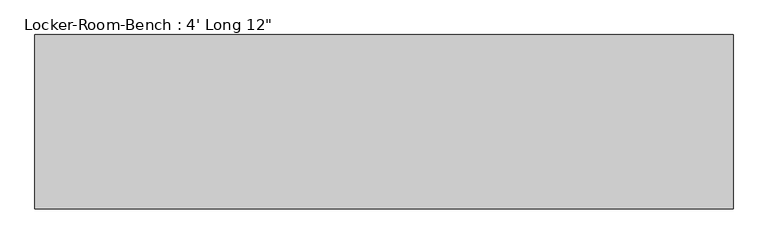
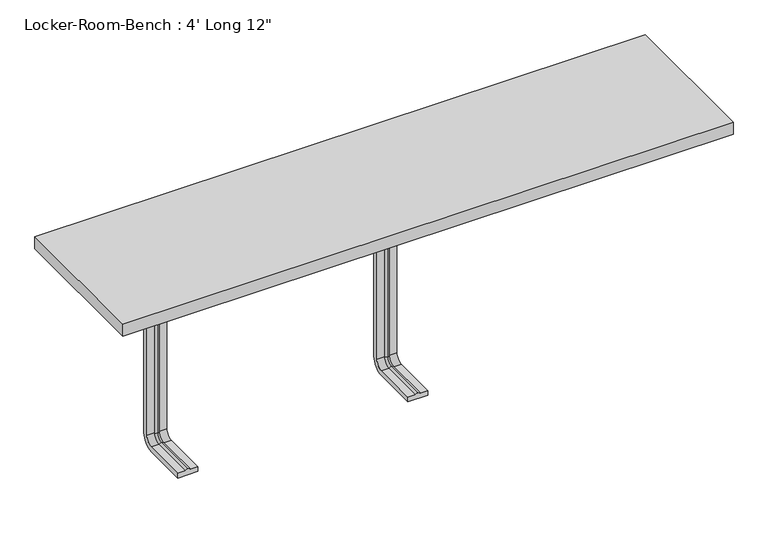
"""IFC4 building model written with IfcOpenShell, lengths in millimetres: proxy geometry."""

import ifcopenshell
import ifcopenshell.guid

model = None  # the IFC model being written
_history = None  # IfcOwnerHistory: only IFC2X3 demands one
_inside = {}  # id of a spatial element -> (the spatial element, [elements in it])
_under = {}  # id of a project, library or spatial element -> (it, [spatial elements below it])
_declared = {}  # id of a project -> (the project, [libraries it declares])
_typed = {}  # id of a type object -> (the type object, [elements of that type])
_made_of = {}  # id of a material, layer set ... -> (it, [elements and type objects made of it])


def new_model(schema):
    """Start an empty IFC model of exactly this schema.

    Asked for "IFC4X3", IfcOpenShell would pick the latest addendum, in which some entities
    have other attributes; the version numbers below select the first issue.
    IFC2X3 requires an IfcOwnerHistory on every rooted entity: one is made here for all.
    """
    global model, _history
    if schema == "IFC4X3":
        model = ifcopenshell.file(schema_version=(4, 3, 0, 0))
    else:
        model = ifcopenshell.file(schema=schema)
    _inside.clear()
    _under.clear()
    _declared.clear()
    _typed.clear()
    _made_of.clear()
    _history = None
    if model.schema == "IFC2X3":
        org = make("IfcOrganization", Name="unknown")
        user = make(
            "IfcPersonAndOrganization",
            ThePerson=make("IfcPerson", FamilyName="unknown"),
            TheOrganization=org,
        )
        app = make(
            "IfcApplication",
            ApplicationDeveloper=org,
            Version="unknown",
            ApplicationFullName="unknown",
            ApplicationIdentifier="unknown",
        )
        _history = make(
            "IfcOwnerHistory",
            OwningUser=user,
            OwningApplication=app,
            ChangeAction="ADDED",
            CreationDate=0,
        )
    return model


def make(cls, **values):
    """One entity of the class cls with the attributes given. An attribute that is None is left unset."""
    return model.create_entity(
        cls, **{name: value for name, value in values.items() if value is not None}
    )


def rooted(cls, **values):
    """An entity with a GlobalId (a new one), such as an element, a storey or a relation."""
    return make(cls, GlobalId=ifcopenshell.guid.new(), OwnerHistory=_history, **values)


def si_unit(unit_type, name, prefix=None):
    """IfcSIUnit, for example si_unit("LENGTHUNIT", "METRE", prefix="MILLI")."""
    return make("IfcSIUnit", UnitType=unit_type, Prefix=prefix, Name=name)


def assignment(units):
    """IfcUnitAssignment: the units of a project."""
    return None if units is None else make("IfcUnitAssignment", Units=units)


def point(xyz):
    """IfcCartesianPoint."""
    return None if xyz is None else make("IfcCartesianPoint", Coordinates=xyz)


def direction(xyz):
    """IfcDirection."""
    return None if xyz is None else make("IfcDirection", DirectionRatios=xyz)


def frame(location, z_axis=None, x_axis=None):
    """IfcAxis2Placement3D, a coordinate frame: its origin and axes. An axis left out is left unset."""
    return make(
        "IfcAxis2Placement3D",
        Location=point(location),
        Axis=direction(z_axis),
        RefDirection=direction(x_axis),
    )


def origin():
    """The frame at (0, 0, 0) with its axes left unset."""
    return frame((0.0, 0.0, 0.0))


def place(relative_to, where):
    """IfcLocalPlacement: puts the frame where relative to a parent placement (None: the world)."""
    return make(
        "IfcLocalPlacement", PlacementRelTo=relative_to, RelativePlacement=where
    )


def context(
    kind, dimensions, precision=None, world=None, true_north=None, identifier=None
):
    """IfcGeometricRepresentationContext, for example the 3D "Model" context."""
    return make(
        "IfcGeometricRepresentationContext",
        ContextIdentifier=identifier,
        ContextType=kind,
        CoordinateSpaceDimension=dimensions,
        Precision=precision,
        WorldCoordinateSystem=world,
        TrueNorth=true_north,
    )


def project(units=None, contexts=None):
    """IfcProject with its units and contexts."""
    return rooted(
        "IfcProject",
        Name="project",
        RepresentationContexts=contexts,
        UnitsInContext=assignment(units),
    )


def spatial(cls, under=None, at=None, **own):
    """A site, building, storey or space (cls), placed at a placement, below another one or the project."""
    s = rooted(cls, ObjectPlacement=at, **own)
    if under is not None:
        _under.setdefault(under.id(), (under, []))[1].append(s)
    return s


def polyline(points):
    """IfcPolyline through the points."""
    return make("IfcPolyline", Points=[point(p) for p in points])


def circle_curve(where, radius):
    """IfcCircle in the frame where."""
    return make("IfcCircle", Position=where, Radius=radius)


def ellipse_curve(where, semi_axis1, semi_axis2):
    """IfcEllipse in the frame where."""
    return make(
        "IfcEllipse", Position=where, SemiAxis1=semi_axis1, SemiAxis2=semi_axis2
    )


def trimmed(basis, trim1, trim2, sense, master):
    """IfcTrimmedCurve: the piece of a basis curve between two trims."""
    return make(
        "IfcTrimmedCurve",
        BasisCurve=basis,
        Trim1=trim1,
        Trim2=trim2,
        SenseAgreement=sense,
        MasterRepresentation=master,
    )


def outline(outer, holes=None, kind="AREA"):
    """IfcArbitraryClosedProfileDef: a profile drawn as a closed curve; with holes, ...WithVoids."""
    if holes is None:
        return make("IfcArbitraryClosedProfileDef", ProfileType=kind, OuterCurve=outer)
    return make(
        "IfcArbitraryProfileDefWithVoids",
        ProfileType=kind,
        OuterCurve=outer,
        InnerCurves=holes,
    )


def extrude(swept, where, along, depth):
    """IfcExtrudedAreaSolid: the profile swept, set in the frame where, extruded along a direction by depth."""
    return make(
        "IfcExtrudedAreaSolid",
        SweptArea=swept,
        Position=where,
        ExtrudedDirection=direction(along),
        Depth=depth,
    )


def shape(context_of_items, identifier, shape_type, items):
    """IfcShapeRepresentation: the items that make up one representation, for example the "Body"."""
    return make(
        "IfcShapeRepresentation",
        ContextOfItems=context_of_items,
        RepresentationIdentifier=identifier,
        RepresentationType=shape_type,
        Items=items,
    )


def source(mapping_origin, context_of_items, identifier, shape_type, items):
    """IfcRepresentationMap: a shape defined once, which mapped items show again and again."""
    return make(
        "IfcRepresentationMap",
        MappingOrigin=mapping_origin,
        MappedRepresentation=shape(context_of_items, identifier, shape_type, items),
    )


def transform(
    local_origin,
    x_axis=None,
    y_axis=None,
    z_axis=None,
    scale=None,
    scale2=None,
    scale3=None,
    uniform=True,
):
    """IfcCartesianTransformationOperator3D, or its non-uniform kind. x_axis, y_axis, z_axis: its Axis1, 2, 3."""
    if uniform:
        return make(
            "IfcCartesianTransformationOperator3D",
            Axis1=direction(x_axis),
            Axis2=direction(y_axis),
            LocalOrigin=point(local_origin),
            Scale=scale,
            Axis3=direction(z_axis),
        )
    return make(
        "IfcCartesianTransformationOperator3DnonUniform",
        Axis1=direction(x_axis),
        Axis2=direction(y_axis),
        LocalOrigin=point(local_origin),
        Scale=scale,
        Axis3=direction(z_axis),
        Scale2=scale2,
        Scale3=scale3,
    )


def mapped(mapping_source, mapping_target):
    """IfcMappedItem: shows the shape of a source again, moved by a transform."""
    return make(
        "IfcMappedItem", MappingSource=mapping_source, MappingTarget=mapping_target
    )


def made_of(thing, what):
    """Note that an element or type object is made of a material, layer set ...; save() writes the relation."""
    if what is not None:
        _made_of.setdefault(what.id(), (what, []))[1].append(thing)
    return thing


def element(
    cls,
    number,
    at=None,
    inside=None,
    cuts=None,
    type_object=None,
    material=None,
    context=None,
    identifier="Body",
    shape_type=None,
    held_by="IfcProductDefinitionShape",
    body=None,
    shapes=None,
    **own,
):
    """One element of the class cls, such as IfcWall. Its Tag is "e" and its number.

    at: its placement. inside: the storey or other place that contains it. cuts: it is an
    opening in that element (IfcRelVoidsElement). A single representation is given by context,
    identifier, shape_type and body (its items); several are given by shapes. held_by: the class
    of the entity that holds the representations. save() writes the other relations.
    """
    e = rooted(cls, Tag="e%d" % number, ObjectPlacement=at, **own)
    if body is not None:
        shapes = [shape(context, identifier, shape_type, body)]
    if shapes is not None:
        e.Representation = make(held_by, Representations=shapes)
    if inside is not None:
        _inside.setdefault(inside.id(), (inside, []))[1].append(e)
    if cuts is not None:
        rooted(
            "IfcRelVoidsElement", RelatingBuildingElement=cuts, RelatedOpeningElement=e
        )
    if type_object is not None:
        _typed.setdefault(type_object.id(), (type_object, []))[1].append(e)
    return made_of(e, material)


def aggregate(whole, parts):
    """IfcRelAggregates: a whole, such as a stair, and the parts it consists of."""
    return rooted("IfcRelAggregates", RelatingObject=whole, RelatedObjects=parts)


def save(model, path):
    """Write the relations noted so far, then the file.

    IfcRelAggregates (storeys below a building ...), IfcRelContainedInSpatialStructure (elements
    in a storey), IfcRelDefinesByType, IfcRelAssociatesMaterial and IfcRelDeclares: one each for
    every whole, place, type object, material and project.
    """
    for whole, parts in _under.values():
        aggregate(whole, parts)
    for where, things in _inside.values():
        rooted(
            "IfcRelContainedInSpatialStructure",
            RelatedElements=things,
            RelatingStructure=where,
        )
    for kind, things in _typed.values():
        rooted("IfcRelDefinesByType", RelatedObjects=things, RelatingType=kind)
    for what, things in _made_of.values():
        rooted("IfcRelAssociatesMaterial", RelatedObjects=things, RelatingMaterial=what)
    for by, libraries in _declared.values():
        rooted("IfcRelDeclares", RelatingContext=by, RelatedDefinitions=libraries)
    model.write(path)


def plane_surface(at):
    """IfcPlane: the flat surface through the origin of the frame at, square to its z axis."""
    return make("IfcPlane", Position=at)


def cylinder_surface(at, radius):
    """IfcCylindricalSurface: all points at the distance radius from the z axis of the frame at."""
    return make("IfcCylindricalSurface", Position=at, Radius=radius)


def revolved_surface(curve, axis_point, axis_direction):
    """IfcSurfaceOfRevolution: the curve turned about the line through axis_point along axis_direction."""
    return make(
        "IfcSurfaceOfRevolution",
        SweptCurve=make("IfcArbitraryOpenProfileDef", ProfileType="CURVE", Curve=curve),
        AxisPosition=make("IfcAxis1Placement", Location=point(axis_point), Axis=direction(axis_direction)),
    )


def advanced_brep(points, edges, surfaces, faces):
    """IfcAdvancedBrep: a solid bounded by faces that lie on surfaces and meet in shared edges.

    An edge is (start, end): straight between two places in points (the first is 0);
    or (start, end, curve); or (start, end, curve, False) where it runs against its curve.
    A face is (place in surfaces, loops), or (place, loops, False) where it looks against
    its surface's normal. A loop lists edges by number (the first is 1), with a minus sign
    where the edge is run from its end to its start. The first loop is the outer one.
    """
    corners = [point(p) for p in points]
    vertices = [make("IfcVertexPoint", VertexGeometry=c) for c in corners]
    made = []
    for start, end, *more in edges:
        made.append(
            make(
                "IfcEdgeCurve",
                EdgeStart=vertices[start],
                EdgeEnd=vertices[end],
                EdgeGeometry=more[0] if more else make("IfcPolyline", Points=[corners[start], corners[end]]),
                SameSense=more[1] if len(more) > 1 else True,
            )
        )
    hull = []
    for where, loops, *sense in faces:
        bounds = []
        for j, loop in enumerate(loops):
            ring = [make("IfcOrientedEdge", EdgeElement=made[abs(k) - 1], Orientation=k > 0) for k in loop]
            bounds.append(
                make(
                    "IfcFaceOuterBound" if j == 0 else "IfcFaceBound",
                    Bound=make("IfcEdgeLoop", EdgeList=ring),
                    Orientation=True,
                )
            )
        hull.append(make("IfcAdvancedFace", Bounds=bounds, FaceSurface=surfaces[where], SameSense=sense[0] if sense else True))
    return make("IfcAdvancedBrep", Outer=make("IfcClosedShell", CfsFaces=hull))


def proxy_bd3dbb1a(model_context):
    return source(origin(), model_context, "Body", "SolidModel", [
        advanced_brep(
        [(-439.6, -117.4, 381.4), (-479.6, -117.4, 381.4), (-479.6, -117.4, 371.4), (-464.6, -117.4, 371.4), (-459.6, -117.4, 369.0684617), (-454.6, -117.4, 371.4), (-439.6, -117.4, 371.4), (-439.6, -25.0, 381.4), (-479.6, -25.0, 381.4), (-479.6, 0.0, 356.4), (-479.6, 0.0, 40.0), (-479.6, -25.0, 15.0), (-479.6, -117.4, 15.0), (-479.6, -117.4, 25.0), (-479.6, -25.0, 25.0), (-479.6, -10.0, 40.0), (-479.6, -10.0, 356.4), (-479.6, -25.0, 371.4), (-464.6, -25.0, 371.4), (-459.6, -25.0, 369.0684617), (-454.6, -25.0, 371.4), (-439.6, -25.0, 371.4), (-439.6, -10.0, 356.4), (-439.6, -10.0, 40.0), (-439.6, -25.0, 25.0), (-439.6, -117.4, 25.0), (-439.6, -117.4, 15.0), (-439.6, -25.0, 15.0), (-439.6, 0.0, 40.0), (-439.6, 0.0, 356.4), (-464.6, -10.0, 356.4), (-459.6, -12.3315383, 356.4), (-454.6, -10.0, 356.4), (-464.6, -10.0, 40.0), (-459.6, -12.3315383, 40.0), (-454.6, -10.0, 40.0), (-464.6, -25.0, 25.0), (-459.6, -25.0, 27.3315383), (-454.6, -25.0, 25.0), (-454.6, -117.4, 25.0), (-459.6, -117.4, 27.3315383), (-464.6, -117.4, 25.0)],
        [
            (0, 1),
            (1, 2),
            (2, 3),
            (3, 4, circle_curve(frame((-459.8996409, -117.4, 374.9529162), z_axis=(0.0, -1.0, 0.0), x_axis=(0.0, 0.0, 1.0)), 5.8920785)),
            (4, 5, circle_curve(frame((-459.3003591, -117.4, 374.9529162), z_axis=(0.0, -1.0, 0.0), x_axis=(0.0, 0.0, 1.0)), 5.8920785)),
            (5, 6),
            (6, 0),
            (0, 7),
            (7, 8),
            (8, 1),
            (8, 9, circle_curve(frame((-479.6, -25.0, 356.4), z_axis=(-1.0, 0.0, 0.0), x_axis=(0.0, 0.0, 1.0)), 25.0)),
            (9, 10),
            (10, 11, circle_curve(frame((-479.6, -25.0, 40.0), z_axis=(-1.0, 0.0, 0.0), x_axis=(0.0, 1.0, 0.0)), 25.0)),
            (11, 12),
            (12, 13),
            (13, 14),
            (14, 15, circle_curve(frame((-479.6, -25.0, 40.0), z_axis=(1.0, 0.0, 0.0), x_axis=(0.0, 1.0, 0.0)), 15.0)),
            (15, 16),
            (16, 17, circle_curve(frame((-479.6, -25.0, 356.4), z_axis=(1.0, 0.0, 0.0), x_axis=(0.0, 0.0, 1.0)), 15.0)),
            (17, 2),
            (17, 18),
            (18, 3),
            (18, 19, circle_curve(frame((-459.8996409, -25.0, 374.9529162), z_axis=(0.0, -1.0, 0.0), x_axis=(0.0, 0.0, 1.0)), 5.8920785)),
            (19, 4),
            (19, 20, circle_curve(frame((-459.3003591, -25.0, 374.9529162), z_axis=(0.0, -1.0, 0.0), x_axis=(0.0, 0.0, 1.0)), 5.8920785)),
            (20, 5),
            (20, 21),
            (21, 6),
            (21, 22, circle_curve(frame((-439.6, -25.0, 356.4), z_axis=(-1.0, 0.0, 0.0), x_axis=(0.0, 0.0, 1.0)), 15.0)),
            (22, 23),
            (23, 24, circle_curve(frame((-439.6, -25.0, 40.0), z_axis=(-1.0, 0.0, 0.0), x_axis=(0.0, 1.0, 0.0)), 15.0)),
            (24, 25),
            (25, 26),
            (26, 27),
            (27, 28, circle_curve(frame((-439.6, -25.0, 40.0), z_axis=(1.0, 0.0, 0.0), x_axis=(0.0, 1.0, 0.0)), 25.0)),
            (28, 29),
            (29, 7, circle_curve(frame((-439.6, -25.0, 356.4), z_axis=(1.0, 0.0, 0.0), x_axis=(0.0, 0.0, 1.0)), 25.0)),
            (29, 9),
            (30, 18, circle_curve(frame((-464.6, -25.0, 356.4), z_axis=(1.0, 0.0, 0.0), x_axis=(0.0, 0.0, 1.0)), 15.0)),
            (16, 30),
            (31, 19, circle_curve(frame((-459.6, -25.0, 356.4), z_axis=(1.0, 0.0, 0.0), x_axis=(0.0, 0.0, 1.0)), 12.6684617)),
            (30, 31, circle_curve(frame((-459.8996409, -6.4470838, 356.4), z_axis=(0.0, 0.0, 1.0), x_axis=(0.0, 1.0, 0.0)), 5.8920785)),
            (32, 20, circle_curve(frame((-454.6, -25.0, 356.4), z_axis=(1.0, 0.0, 0.0), x_axis=(0.0, 0.0, 1.0)), 15.0)),
            (31, 32, circle_curve(frame((-459.3003591, -6.4470838, 356.4), z_axis=(0.0, 0.0, 1.0), x_axis=(0.0, 1.0, 0.0)), 5.8920785)),
            (32, 22),
            (28, 10),
            (15, 33),
            (33, 30),
            (33, 34, circle_curve(frame((-459.8996409, -6.4470838, 40.0), z_axis=(0.0, 0.0, 1.0), x_axis=(0.0, 1.0, 0.0)), 5.8920785)),
            (34, 31),
            (34, 35, circle_curve(frame((-459.3003591, -6.4470838, 40.0), z_axis=(0.0, 0.0, 1.0), x_axis=(0.0, 1.0, 0.0)), 5.8920785)),
            (35, 32),
            (35, 23),
            (27, 11),
            (36, 33, circle_curve(frame((-464.6, -25.0, 40.0), z_axis=(1.0, 0.0, 0.0), x_axis=(0.0, 1.0, 0.0)), 15.0)),
            (14, 36),
            (37, 34, circle_curve(frame((-459.6, -25.0, 40.0), z_axis=(1.0, 0.0, 0.0), x_axis=(0.0, 1.0, 0.0)), 12.6684617)),
            (36, 37, circle_curve(frame((-459.8996409, -25.0, 21.4470838), z_axis=(0.0, 1.0, 0.0), x_axis=(0.0, 0.0, -1.0)), 5.8920785)),
            (38, 35, circle_curve(frame((-454.6, -25.0, 40.0), z_axis=(1.0, 0.0, 0.0), x_axis=(0.0, 1.0, 0.0)), 15.0)),
            (37, 38, circle_curve(frame((-459.3003591, -25.0, 21.4470838), z_axis=(0.0, 1.0, 0.0), x_axis=(0.0, 0.0, -1.0)), 5.8920785)),
            (38, 24),
            (25, 39),
            (39, 40, circle_curve(frame((-459.3003591, -117.4, 21.4470838), z_axis=(0.0, -1.0, 0.0), x_axis=(0.0, 0.0, -1.0)), 5.8920785)),
            (40, 41, circle_curve(frame((-459.8996409, -117.4, 21.4470838), z_axis=(0.0, -1.0, 0.0), x_axis=(0.0, 0.0, -1.0)), 5.8920785)),
            (41, 13),
            (12, 26),
            (41, 36),
            (40, 37),
            (39, 38),
        ],
        [
            plane_surface(frame((-459.6, -117.4, 381.4), z_axis=(0.0, -1.0, 0.0), x_axis=(1.0, 0.0, 0.0))),
            plane_surface(frame((-439.6, -117.4, 381.4), z_axis=(0.0, 0.0, 1.0), x_axis=(0.0, 1.0, 0.0))),
            plane_surface(frame((-479.6, -117.4, 381.4), z_axis=(-1.0, 0.0, 0.0), x_axis=(0.0, 1.0, 0.0))),
            plane_surface(frame((-479.6, -117.4, 371.4), z_axis=(0.0, 0.0, -1.0), x_axis=(0.0, 1.0, 0.0))),
            cylinder_surface(frame((-459.8996409, -117.4, 374.9529162), z_axis=(0.0, -1.0, 0.0), x_axis=(0.0, 0.0, 1.0)), 5.8920785),
            cylinder_surface(frame((-459.3003591, -117.4, 374.9529162), z_axis=(0.0, -1.0, 0.0), x_axis=(0.0, 0.0, 1.0)), 5.8920785),
            plane_surface(frame((-454.6, -117.4, 371.4), z_axis=(0.0, 0.0, -1.0), x_axis=(0.0, 1.0, 0.0))),
            plane_surface(frame((-439.6, -117.4, 371.4), z_axis=(1.0, 0.0, 0.0), x_axis=(0.0, 1.0, 0.0))),
            cylinder_surface(frame((-459.6, -25.0, 356.4), z_axis=(-1.0, 0.0, 0.0), x_axis=(0.0, 0.0, 1.0)), 25.0),
            revolved_surface(polyline([(-479.6, -25.0, 371.4), (-464.6, -25.0, 371.4)]), (-459.6, -25.0, 356.4), (-1.0, 0.0, 0.0)),
            revolved_surface(trimmed(ellipse_curve(frame((-459.8996409, -25.0, 374.9529162), z_axis=(0.0, -1.0, 0.0), x_axis=(0.0, 0.0, 1.0)), 5.8920785, 5.8920785), [point((-464.6, -25.0, 371.4))], [point((-459.6, -25.0, 369.0684617))], True, "CARTESIAN"), (-459.6, -25.0, 356.4), (-1.0, 0.0, 0.0)),
            revolved_surface(trimmed(ellipse_curve(frame((-459.3003591, -25.0, 374.9529162), z_axis=(0.0, -1.0, 0.0), x_axis=(0.0, 0.0, 1.0)), 5.8920785, 5.8920785), [point((-459.6, -25.0, 369.0684617))], [point((-454.6, -25.0, 371.4))], True, "CARTESIAN"), (-459.6, -25.0, 356.4), (-1.0, 0.0, 0.0)),
            revolved_surface(polyline([(-454.6, -25.0, 371.4), (-439.6, -25.0, 371.4)]), (-459.6, -25.0, 356.4), (-1.0, 0.0, 0.0)),
            plane_surface(frame((-439.6, 0.0, 356.4), z_axis=(0.0, 1.0, 0.0), x_axis=(0.0, 0.0, -1.0))),
            plane_surface(frame((-479.6, -10.0, 356.4), z_axis=(0.0, -1.0, 0.0), x_axis=(0.0, 0.0, -1.0))),
            cylinder_surface(frame((-459.8996409, -6.4470838, 356.4), z_axis=(0.0, 0.0, 1.0), x_axis=(0.0, 1.0, 0.0)), 5.8920785),
            cylinder_surface(frame((-459.3003591, -6.4470838, 356.4), z_axis=(0.0, 0.0, 1.0), x_axis=(0.0, 1.0, 0.0)), 5.8920785),
            plane_surface(frame((-454.6, -10.0, 356.4), z_axis=(0.0, -1.0, 0.0), x_axis=(0.0, 0.0, -1.0))),
            cylinder_surface(frame((-459.6, -25.0, 40.0), z_axis=(-1.0, 0.0, 0.0), x_axis=(0.0, 1.0, 0.0)), 25.0),
            revolved_surface(polyline([(-479.6, -10.0, 40.0), (-464.6, -10.0, 40.0)]), (-459.6, -25.0, 40.0), (-1.0, 0.0, 0.0)),
            revolved_surface(trimmed(ellipse_curve(frame((-459.8996409, -6.4470838, 40.0), z_axis=(0.0, 0.0, 1.0), x_axis=(0.0, 1.0, 0.0)), 5.8920785, 5.8920785), [point((-464.6, -10.0, 40.0))], [point((-459.6, -12.3315383, 40.0))], True, "CARTESIAN"), (-459.6, -25.0, 40.0), (-1.0, 0.0, 0.0)),
            revolved_surface(trimmed(ellipse_curve(frame((-459.3003591, -6.4470838, 40.0), z_axis=(0.0, 0.0, 1.0), x_axis=(0.0, 1.0, 0.0)), 5.8920785, 5.8920785), [point((-459.6, -12.3315383, 40.0))], [point((-454.6, -10.0, 40.0))], True, "CARTESIAN"), (-459.6, -25.0, 40.0), (-1.0, 0.0, 0.0)),
            revolved_surface(polyline([(-454.6, -10.0, 40.0), (-439.6, -10.0, 40.0)]), (-459.6, -25.0, 40.0), (-1.0, 0.0, 0.0)),
            plane_surface(frame((-459.6, -117.4, 15.0), z_axis=(0.0, -1.0, 0.0), x_axis=(1.0, 0.0, 0.0))),
            plane_surface(frame((-439.6, -25.0, 15.0), z_axis=(0.0, 0.0, -1.0), x_axis=(0.0, -1.0, 0.0))),
            plane_surface(frame((-479.6, -25.0, 25.0), z_axis=(0.0, 0.0, 1.0), x_axis=(0.0, -1.0, 0.0))),
            cylinder_surface(frame((-459.8996409, -25.0, 21.4470838), z_axis=(0.0, 1.0, 0.0), x_axis=(0.0, 0.0, -1.0)), 5.8920785),
            cylinder_surface(frame((-459.3003591, -25.0, 21.4470838), z_axis=(0.0, 1.0, 0.0), x_axis=(0.0, 0.0, -1.0)), 5.8920785),
            plane_surface(frame((-454.6, -25.0, 25.0), z_axis=(0.0, 0.0, 1.0), x_axis=(0.0, -1.0, 0.0))),
        ],
        [
            (0, [[1, 2, 3, 4, 5, 6, 7]]),
            (1, [[-1, 8, 9, 10]]),
            (2, [[-2, -10, 11, 12, 13, 14, 15, 16, 17, 18, 19, 20]]),
            (3, [[-3, -20, 21, 22]]),
            (4, [[-4, -22, 23, 24]]),
            (5, [[-5, -24, 25, 26]]),
            (6, [[-6, -26, 27, 28]]),
            (7, [[-7, -28, 29, 30, 31, 32, 33, 34, 35, 36, 37, -8]]),
            (8, [[-11, -9, -37, 38]]),
            (9, [[39, -21, -19, 40]]),
            (10, [[41, -23, -39, 42]]),
            (11, [[43, -25, -41, 44]]),
            (12, [[-29, -27, -43, 45]]),
            (13, [[-38, -36, 46, -12]]),
            (14, [[-40, -18, 47, 48]]),
            (15, [[-42, -48, 49, 50]]),
            (16, [[-44, -50, 51, 52]]),
            (17, [[-45, -52, 53, -30]]),
            (18, [[-13, -46, -35, 54]]),
            (19, [[55, -47, -17, 56]]),
            (20, [[57, -49, -55, 58]]),
            (21, [[59, -51, -57, 60]]),
            (22, [[-31, -53, -59, 61]]),
            (23, [[-33, 62, 63, 64, 65, -15, 66]]),
            (24, [[-54, -34, -66, -14]]),
            (25, [[-56, -16, -65, 67]]),
            (26, [[-58, -67, -64, 68]]),
            (27, [[-60, -68, -63, 69]]),
            (28, [[-61, -69, -62, -32]]),
        ],
    ),
        advanced_brep(
        [(20.0, -117.4, 381.4), (-20.0, -117.4, 381.4), (-20.0, -117.4, 371.4), (-5.0, -117.4, 371.4), (0.0, -117.4, 369.0684617), (5.0, -117.4, 371.4), (20.0, -117.4, 371.4), (20.0, -25.0, 381.4), (-20.0, -25.0, 381.4), (-20.0, 0.0, 356.4), (-20.0, 0.0, 40.0), (-20.0, -25.0, 15.0), (-20.0, -117.4, 15.0), (-20.0, -117.4, 25.0), (-20.0, -25.0, 25.0), (-20.0, -10.0, 40.0), (-20.0, -10.0, 356.4), (-20.0, -25.0, 371.4), (-5.0, -25.0, 371.4), (0.0, -25.0, 369.0684617), (5.0, -25.0, 371.4), (20.0, -25.0, 371.4), (20.0, -10.0, 356.4), (20.0, -10.0, 40.0), (20.0, -25.0, 25.0), (20.0, -117.4, 25.0), (20.0, -117.4, 15.0), (20.0, -25.0, 15.0), (20.0, 0.0, 40.0), (20.0, 0.0, 356.4), (-5.0, -10.0, 356.4), (0.0, -12.3315383, 356.4), (5.0, -10.0, 356.4), (-5.0, -10.0, 40.0), (0.0, -12.3315383, 40.0), (5.0, -10.0, 40.0), (-5.0, -25.0, 25.0), (0.0, -25.0, 27.3315383), (5.0, -25.0, 25.0), (5.0, -117.4, 25.0), (0.0, -117.4, 27.3315383), (-5.0, -117.4, 25.0)],
        [
            (0, 1),
            (1, 2),
            (2, 3),
            (3, 4, circle_curve(frame((-0.2996409, -117.4, 374.9529162), z_axis=(0.0, -1.0, 0.0), x_axis=(0.0, 0.0, 1.0)), 5.8920785)),
            (4, 5, circle_curve(frame((0.2996409, -117.4, 374.9529162), z_axis=(0.0, -1.0, 0.0), x_axis=(0.0, 0.0, 1.0)), 5.8920785)),
            (5, 6),
            (6, 0),
            (0, 7),
            (7, 8),
            (8, 1),
            (8, 9, circle_curve(frame((-20.0, -25.0, 356.4), z_axis=(-1.0, 0.0, 0.0), x_axis=(0.0, 0.0, 1.0)), 25.0)),
            (9, 10),
            (10, 11, circle_curve(frame((-20.0, -25.0, 40.0), z_axis=(-1.0, 0.0, 0.0), x_axis=(0.0, 1.0, 0.0)), 25.0)),
            (11, 12),
            (12, 13),
            (13, 14),
            (14, 15, circle_curve(frame((-20.0, -25.0, 40.0), z_axis=(1.0, 0.0, 0.0), x_axis=(0.0, 1.0, 0.0)), 15.0)),
            (15, 16),
            (16, 17, circle_curve(frame((-20.0, -25.0, 356.4), z_axis=(1.0, 0.0, 0.0), x_axis=(0.0, 0.0, 1.0)), 15.0)),
            (17, 2),
            (17, 18),
            (18, 3),
            (18, 19, circle_curve(frame((-0.2996409, -25.0, 374.9529162), z_axis=(0.0, -1.0, 0.0), x_axis=(0.0, 0.0, 1.0)), 5.8920785)),
            (19, 4),
            (19, 20, circle_curve(frame((0.2996409, -25.0, 374.9529162), z_axis=(0.0, -1.0, 0.0), x_axis=(0.0, 0.0, 1.0)), 5.8920785)),
            (20, 5),
            (20, 21),
            (21, 6),
            (21, 22, circle_curve(frame((20.0, -25.0, 356.4), z_axis=(-1.0, 0.0, 0.0), x_axis=(0.0, 0.0, 1.0)), 15.0)),
            (22, 23),
            (23, 24, circle_curve(frame((20.0, -25.0, 40.0), z_axis=(-1.0, 0.0, 0.0), x_axis=(0.0, 1.0, 0.0)), 15.0)),
            (24, 25),
            (25, 26),
            (26, 27),
            (27, 28, circle_curve(frame((20.0, -25.0, 40.0), z_axis=(1.0, 0.0, 0.0), x_axis=(0.0, 1.0, 0.0)), 25.0)),
            (28, 29),
            (29, 7, circle_curve(frame((20.0, -25.0, 356.4), z_axis=(1.0, 0.0, 0.0), x_axis=(0.0, 0.0, 1.0)), 25.0)),
            (29, 9),
            (30, 18, circle_curve(frame((-5.0, -25.0, 356.4), z_axis=(1.0, 0.0, 0.0), x_axis=(0.0, 0.0, 1.0)), 15.0)),
            (16, 30),
            (31, 19, circle_curve(frame((0.0, -25.0, 356.4), z_axis=(1.0, 0.0, 0.0), x_axis=(0.0, 0.0, 1.0)), 12.6684617)),
            (30, 31, circle_curve(frame((-0.2996409, -6.4470838, 356.4), z_axis=(0.0, 0.0, 1.0), x_axis=(0.0, 1.0, 0.0)), 5.8920785)),
            (32, 20, circle_curve(frame((5.0, -25.0, 356.4), z_axis=(1.0, 0.0, 0.0), x_axis=(0.0, 0.0, 1.0)), 15.0)),
            (31, 32, circle_curve(frame((0.2996409, -6.4470838, 356.4), z_axis=(0.0, 0.0, 1.0), x_axis=(0.0, 1.0, 0.0)), 5.8920785)),
            (32, 22),
            (28, 10),
            (15, 33),
            (33, 30),
            (33, 34, circle_curve(frame((-0.2996409, -6.4470838, 40.0), z_axis=(0.0, 0.0, 1.0), x_axis=(0.0, 1.0, 0.0)), 5.8920785)),
            (34, 31),
            (34, 35, circle_curve(frame((0.2996409, -6.4470838, 40.0), z_axis=(0.0, 0.0, 1.0), x_axis=(0.0, 1.0, 0.0)), 5.8920785)),
            (35, 32),
            (35, 23),
            (27, 11),
            (36, 33, circle_curve(frame((-5.0, -25.0, 40.0), z_axis=(1.0, 0.0, 0.0), x_axis=(0.0, 1.0, 0.0)), 15.0)),
            (14, 36),
            (37, 34, circle_curve(frame((0.0, -25.0, 40.0), z_axis=(1.0, 0.0, 0.0), x_axis=(0.0, 1.0, 0.0)), 12.6684617)),
            (36, 37, circle_curve(frame((-0.2996409, -25.0, 21.4470838), z_axis=(0.0, 1.0, 0.0), x_axis=(0.0, 0.0, -1.0)), 5.8920785)),
            (38, 35, circle_curve(frame((5.0, -25.0, 40.0), z_axis=(1.0, 0.0, 0.0), x_axis=(0.0, 1.0, 0.0)), 15.0)),
            (37, 38, circle_curve(frame((0.2996409, -25.0, 21.4470838), z_axis=(0.0, 1.0, 0.0), x_axis=(0.0, 0.0, -1.0)), 5.8920785)),
            (38, 24),
            (25, 39),
            (39, 40, circle_curve(frame((0.2996409, -117.4, 21.4470838), z_axis=(0.0, -1.0, 0.0), x_axis=(0.0, 0.0, -1.0)), 5.8920785)),
            (40, 41, circle_curve(frame((-0.2996409, -117.4, 21.4470838), z_axis=(0.0, -1.0, 0.0), x_axis=(0.0, 0.0, -1.0)), 5.8920785)),
            (41, 13),
            (12, 26),
            (41, 36),
            (40, 37),
            (39, 38),
        ],
        [
            plane_surface(frame((0.0, -117.4, 381.4), z_axis=(0.0, -1.0, 0.0), x_axis=(1.0, 0.0, 0.0))),
            plane_surface(frame((20.0, -117.4, 381.4), z_axis=(0.0, 0.0, 1.0), x_axis=(0.0, 1.0, 0.0))),
            plane_surface(frame((-20.0, -117.4, 381.4), z_axis=(-1.0, 0.0, 0.0), x_axis=(0.0, 1.0, 0.0))),
            plane_surface(frame((-20.0, -117.4, 371.4), z_axis=(0.0, 0.0, -1.0), x_axis=(0.0, 1.0, 0.0))),
            cylinder_surface(frame((-0.2996409, -117.4, 374.9529162), z_axis=(0.0, -1.0, 0.0), x_axis=(0.0, 0.0, 1.0)), 5.8920785),
            cylinder_surface(frame((0.2996409, -117.4, 374.9529162), z_axis=(0.0, -1.0, 0.0), x_axis=(0.0, 0.0, 1.0)), 5.8920785),
            plane_surface(frame((5.0, -117.4, 371.4), z_axis=(0.0, 0.0, -1.0), x_axis=(0.0, 1.0, 0.0))),
            plane_surface(frame((20.0, -117.4, 371.4), z_axis=(1.0, 0.0, 0.0), x_axis=(0.0, 1.0, 0.0))),
            cylinder_surface(frame((0.0, -25.0, 356.4), z_axis=(-1.0, 0.0, 0.0), x_axis=(0.0, 0.0, 1.0)), 25.0),
            revolved_surface(polyline([(-20.0, -25.0, 371.4), (-5.0, -25.0, 371.4)]), (0.0, -25.0, 356.4), (-1.0, 0.0, 0.0)),
            revolved_surface(trimmed(ellipse_curve(frame((-0.2996409, -25.0, 374.9529162), z_axis=(0.0, -1.0, 0.0), x_axis=(0.0, 0.0, 1.0)), 5.8920785, 5.8920785), [point((-5.0, -25.0, 371.4))], [point((0.0, -25.0, 369.0684617))], True, "CARTESIAN"), (0.0, -25.0, 356.4), (-1.0, 0.0, 0.0)),
            revolved_surface(trimmed(ellipse_curve(frame((0.2996409, -25.0, 374.9529162), z_axis=(0.0, -1.0, 0.0), x_axis=(0.0, 0.0, 1.0)), 5.8920785, 5.8920785), [point((0.0, -25.0, 369.0684617))], [point((5.0, -25.0, 371.4))], True, "CARTESIAN"), (0.0, -25.0, 356.4), (-1.0, 0.0, 0.0)),
            revolved_surface(polyline([(5.0, -25.0, 371.4), (20.0, -25.0, 371.4)]), (0.0, -25.0, 356.4), (-1.0, 0.0, 0.0)),
            plane_surface(frame((20.0, 0.0, 356.4), z_axis=(0.0, 1.0, 0.0), x_axis=(0.0, 0.0, -1.0))),
            plane_surface(frame((-20.0, -10.0, 356.4), z_axis=(0.0, -1.0, 0.0), x_axis=(0.0, 0.0, -1.0))),
            cylinder_surface(frame((-0.2996409, -6.4470838, 356.4), z_axis=(0.0, 0.0, 1.0), x_axis=(0.0, 1.0, 0.0)), 5.8920785),
            cylinder_surface(frame((0.2996409, -6.4470838, 356.4), z_axis=(0.0, 0.0, 1.0), x_axis=(0.0, 1.0, 0.0)), 5.8920785),
            plane_surface(frame((5.0, -10.0, 356.4), z_axis=(0.0, -1.0, 0.0), x_axis=(0.0, 0.0, -1.0))),
            cylinder_surface(frame((0.0, -25.0, 40.0), z_axis=(-1.0, 0.0, 0.0), x_axis=(0.0, 1.0, 0.0)), 25.0),
            revolved_surface(polyline([(-20.0, -10.0, 40.0), (-5.0, -10.0, 40.0)]), (0.0, -25.0, 40.0), (-1.0, 0.0, 0.0)),
            revolved_surface(trimmed(ellipse_curve(frame((-0.2996409, -6.4470838, 40.0), z_axis=(0.0, 0.0, 1.0), x_axis=(0.0, 1.0, 0.0)), 5.8920785, 5.8920785), [point((-5.0, -10.0, 40.0))], [point((0.0, -12.3315383, 40.0))], True, "CARTESIAN"), (0.0, -25.0, 40.0), (-1.0, 0.0, 0.0)),
            revolved_surface(trimmed(ellipse_curve(frame((0.2996409, -6.4470838, 40.0), z_axis=(0.0, 0.0, 1.0), x_axis=(0.0, 1.0, 0.0)), 5.8920785, 5.8920785), [point((0.0, -12.3315383, 40.0))], [point((5.0, -10.0, 40.0))], True, "CARTESIAN"), (0.0, -25.0, 40.0), (-1.0, 0.0, 0.0)),
            revolved_surface(polyline([(5.0, -10.0, 40.0), (20.0, -10.0, 40.0)]), (0.0, -25.0, 40.0), (-1.0, 0.0, 0.0)),
            plane_surface(frame((0.0, -117.4, 15.0), z_axis=(0.0, -1.0, 0.0), x_axis=(1.0, 0.0, 0.0))),
            plane_surface(frame((20.0, -25.0, 15.0), z_axis=(0.0, 0.0, -1.0), x_axis=(0.0, -1.0, 0.0))),
            plane_surface(frame((-20.0, -25.0, 25.0), z_axis=(0.0, 0.0, 1.0), x_axis=(0.0, -1.0, 0.0))),
            cylinder_surface(frame((-0.2996409, -25.0, 21.4470838), z_axis=(0.0, 1.0, 0.0), x_axis=(0.0, 0.0, -1.0)), 5.8920785),
            cylinder_surface(frame((0.2996409, -25.0, 21.4470838), z_axis=(0.0, 1.0, 0.0), x_axis=(0.0, 0.0, -1.0)), 5.8920785),
            plane_surface(frame((5.0, -25.0, 25.0), z_axis=(0.0, 0.0, 1.0), x_axis=(0.0, -1.0, 0.0))),
        ],
        [
            (0, [[1, 2, 3, 4, 5, 6, 7]]),
            (1, [[-1, 8, 9, 10]]),
            (2, [[-2, -10, 11, 12, 13, 14, 15, 16, 17, 18, 19, 20]]),
            (3, [[-3, -20, 21, 22]]),
            (4, [[-4, -22, 23, 24]]),
            (5, [[-5, -24, 25, 26]]),
            (6, [[-6, -26, 27, 28]]),
            (7, [[-7, -28, 29, 30, 31, 32, 33, 34, 35, 36, 37, -8]]),
            (8, [[-11, -9, -37, 38]]),
            (9, [[39, -21, -19, 40]]),
            (10, [[41, -23, -39, 42]]),
            (11, [[43, -25, -41, 44]]),
            (12, [[-29, -27, -43, 45]]),
            (13, [[-38, -36, 46, -12]]),
            (14, [[-40, -18, 47, 48]]),
            (15, [[-42, -48, 49, 50]]),
            (16, [[-44, -50, 51, 52]]),
            (17, [[-45, -52, 53, -30]]),
            (18, [[-13, -46, -35, 54]]),
            (19, [[55, -47, -17, 56]]),
            (20, [[57, -49, -55, 58]]),
            (21, [[59, -51, -57, 60]]),
            (22, [[-31, -53, -59, 61]]),
            (23, [[-33, 62, 63, 64, 65, -15, 66]]),
            (24, [[-54, -34, -66, -14]]),
            (25, [[-56, -16, -65, 67]]),
            (26, [[-58, -67, -64, 68]]),
            (27, [[-60, -68, -63, 69]]),
            (28, [[-61, -69, -62, -32]]),
        ],
    ),
        extrude(outline(polyline([(609.6, 152.4), (609.6, -152.4), (-609.6, -152.4), (-609.6, 152.4), (609.6, 152.4)])), frame((0.0, 0.0, 381.4), z_axis=(0.0, 0.0, 1.0), x_axis=(1.0, 0.0, 0.0)), (0.0, 0.0, 1.0), 25.0),
    ])


if __name__ == "__main__":
    model = new_model("IFC4")
    model_context = context("Model", 3, world=origin())
    ifc_project = project(units=[si_unit("LENGTHUNIT", "METRE", prefix="MILLI")], contexts=[model_context])
    site = spatial("IfcSite", under=ifc_project)
    building = spatial("IfcBuilding", under=site)
    placement = place(None, origin())
    proxy_shape = proxy_bd3dbb1a(model_context)
    element("IfcBuildingElementProxy", 1, Name="Locker-Room-Bench : 4' Long 12\"", ObjectType="Locker-Room-Bench : 4' Long 12\"", at=placement, inside=building, context=model_context, shape_type="MappedRepresentation", body=[
        mapped(proxy_shape, transform((0.0, 0.0, 0.0), x_axis=(1.0, 0.0, 0.0), y_axis=(0.0, 1.0, 0.0), z_axis=(0.0, 0.0, 1.0))),
    ])
    save(model, "model.ifc")
